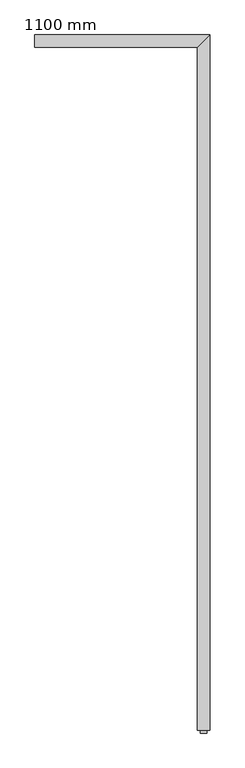
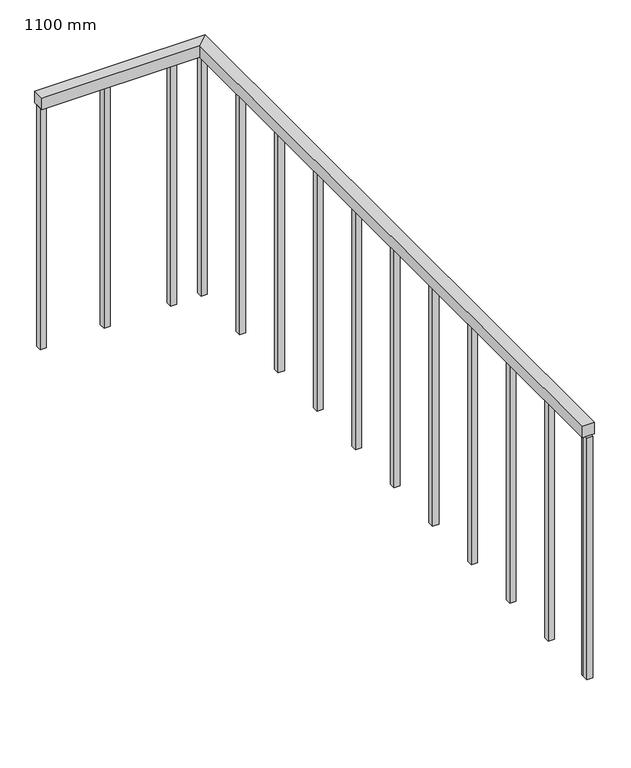
"""IFC4 building model written with IfcOpenShell, lengths in millimetres: railing geometry, 1100 mm."""

import ifcopenshell
import ifcopenshell.guid

model = None  # the IFC model being written
_history = None  # IfcOwnerHistory: only IFC2X3 demands one
_inside = {}  # id of a spatial element -> (the spatial element, [elements in it])
_under = {}  # id of a project, library or spatial element -> (it, [spatial elements below it])
_declared = {}  # id of a project -> (the project, [libraries it declares])
_typed = {}  # id of a type object -> (the type object, [elements of that type])
_made_of = {}  # id of a material, layer set ... -> (it, [elements and type objects made of it])


def new_model(schema):
    """Start an empty IFC model of exactly this schema.

    Asked for "IFC4X3", IfcOpenShell would pick the latest addendum, in which some entities
    have other attributes; the version numbers below select the first issue.
    IFC2X3 requires an IfcOwnerHistory on every rooted entity: one is made here for all.
    """
    global model, _history
    if schema == "IFC4X3":
        model = ifcopenshell.file(schema_version=(4, 3, 0, 0))
    else:
        model = ifcopenshell.file(schema=schema)
    _inside.clear()
    _under.clear()
    _declared.clear()
    _typed.clear()
    _made_of.clear()
    _history = None
    if model.schema == "IFC2X3":
        org = make("IfcOrganization", Name="unknown")
        user = make(
            "IfcPersonAndOrganization",
            ThePerson=make("IfcPerson", FamilyName="unknown"),
            TheOrganization=org,
        )
        app = make(
            "IfcApplication",
            ApplicationDeveloper=org,
            Version="unknown",
            ApplicationFullName="unknown",
            ApplicationIdentifier="unknown",
        )
        _history = make(
            "IfcOwnerHistory",
            OwningUser=user,
            OwningApplication=app,
            ChangeAction="ADDED",
            CreationDate=0,
        )
    return model


def make(cls, **values):
    """One entity of the class cls with the attributes given. An attribute that is None is left unset."""
    return model.create_entity(
        cls, **{name: value for name, value in values.items() if value is not None}
    )


def rooted(cls, **values):
    """An entity with a GlobalId (a new one), such as an element, a storey or a relation."""
    return make(cls, GlobalId=ifcopenshell.guid.new(), OwnerHistory=_history, **values)


def si_unit(unit_type, name, prefix=None):
    """IfcSIUnit, for example si_unit("LENGTHUNIT", "METRE", prefix="MILLI")."""
    return make("IfcSIUnit", UnitType=unit_type, Prefix=prefix, Name=name)


def assignment(units):
    """IfcUnitAssignment: the units of a project."""
    return None if units is None else make("IfcUnitAssignment", Units=units)


def point(xyz):
    """IfcCartesianPoint."""
    return None if xyz is None else make("IfcCartesianPoint", Coordinates=xyz)


def direction(xyz):
    """IfcDirection."""
    return None if xyz is None else make("IfcDirection", DirectionRatios=xyz)


def frame(location, z_axis=None, x_axis=None):
    """IfcAxis2Placement3D, a coordinate frame: its origin and axes. An axis left out is left unset."""
    return make(
        "IfcAxis2Placement3D",
        Location=point(location),
        Axis=direction(z_axis),
        RefDirection=direction(x_axis),
    )


def origin():
    """The frame at (0, 0, 0) with its axes left unset."""
    return frame((0.0, 0.0, 0.0))


def place(relative_to, where):
    """IfcLocalPlacement: puts the frame where relative to a parent placement (None: the world)."""
    return make(
        "IfcLocalPlacement", PlacementRelTo=relative_to, RelativePlacement=where
    )


def context(
    kind, dimensions, precision=None, world=None, true_north=None, identifier=None
):
    """IfcGeometricRepresentationContext, for example the 3D "Model" context."""
    return make(
        "IfcGeometricRepresentationContext",
        ContextIdentifier=identifier,
        ContextType=kind,
        CoordinateSpaceDimension=dimensions,
        Precision=precision,
        WorldCoordinateSystem=world,
        TrueNorth=true_north,
    )


def project(units=None, contexts=None):
    """IfcProject with its units and contexts."""
    return rooted(
        "IfcProject",
        Name="project",
        RepresentationContexts=contexts,
        UnitsInContext=assignment(units),
    )


def spatial(cls, under=None, at=None, **own):
    """A site, building, storey or space (cls), placed at a placement, below another one or the project."""
    s = rooted(cls, ObjectPlacement=at, **own)
    if under is not None:
        _under.setdefault(under.id(), (under, []))[1].append(s)
    return s


def polyline(points):
    """IfcPolyline through the points."""
    return make("IfcPolyline", Points=[point(p) for p in points])


def outline(outer, holes=None, kind="AREA"):
    """IfcArbitraryClosedProfileDef: a profile drawn as a closed curve; with holes, ...WithVoids."""
    if holes is None:
        return make("IfcArbitraryClosedProfileDef", ProfileType=kind, OuterCurve=outer)
    return make(
        "IfcArbitraryProfileDefWithVoids",
        ProfileType=kind,
        OuterCurve=outer,
        InnerCurves=holes,
    )


def extrude(swept, where, along, depth):
    """IfcExtrudedAreaSolid: the profile swept, set in the frame where, extruded along a direction by depth."""
    return make(
        "IfcExtrudedAreaSolid",
        SweptArea=swept,
        Position=where,
        ExtrudedDirection=direction(along),
        Depth=depth,
    )


def faces_of(points, faces, orient=None, outer=None):
    """IfcFace entities. A face is a list of loops; a loop is a list of indices into points, from 0.

    orient and outer hold one flag for each loop. By default every Orientation is true, the
    first loop of a face is its IfcFaceOuterBound and the others are IfcFaceBound.
    """
    made = []
    for i, loops in enumerate(faces):
        bounds = []
        for j, loop in enumerate(loops):
            is_outer = j == 0 if outer is None else outer[i][j]
            bounds.append(
                make(
                    "IfcFaceOuterBound" if is_outer else "IfcFaceBound",
                    Bound=make("IfcPolyLoop", Polygon=[points[k] for k in loop]),
                    Orientation=True if orient is None else orient[i][j],
                )
            )
        made.append(make("IfcFace", Bounds=bounds))
    return made


def faceted_brep(points, faces, orient=None, outer=None, voids=None):
    """IfcFacetedBrep: a solid bounded by flat faces; with voids (closed shells), ...WithVoids."""
    shared = [point(p) for p in points]
    hull = make("IfcClosedShell", CfsFaces=faces_of(shared, faces, orient, outer))
    if voids is None:
        return make("IfcFacetedBrep", Outer=hull)
    return make(
        "IfcFacetedBrepWithVoids",
        Outer=hull,
        Voids=[
            make(cls, CfsFaces=faces_of(shared, fs, o, b)) for cls, fs, o, b in voids
        ],
    )


def shape(context_of_items, identifier, shape_type, items):
    """IfcShapeRepresentation: the items that make up one representation, for example the "Body"."""
    return make(
        "IfcShapeRepresentation",
        ContextOfItems=context_of_items,
        RepresentationIdentifier=identifier,
        RepresentationType=shape_type,
        Items=items,
    )


def source(mapping_origin, context_of_items, identifier, shape_type, items):
    """IfcRepresentationMap: a shape defined once, which mapped items show again and again."""
    return make(
        "IfcRepresentationMap",
        MappingOrigin=mapping_origin,
        MappedRepresentation=shape(context_of_items, identifier, shape_type, items),
    )


def transform(
    local_origin,
    x_axis=None,
    y_axis=None,
    z_axis=None,
    scale=None,
    scale2=None,
    scale3=None,
    uniform=True,
):
    """IfcCartesianTransformationOperator3D, or its non-uniform kind. x_axis, y_axis, z_axis: its Axis1, 2, 3."""
    if uniform:
        return make(
            "IfcCartesianTransformationOperator3D",
            Axis1=direction(x_axis),
            Axis2=direction(y_axis),
            LocalOrigin=point(local_origin),
            Scale=scale,
            Axis3=direction(z_axis),
        )
    return make(
        "IfcCartesianTransformationOperator3DnonUniform",
        Axis1=direction(x_axis),
        Axis2=direction(y_axis),
        LocalOrigin=point(local_origin),
        Scale=scale,
        Axis3=direction(z_axis),
        Scale2=scale2,
        Scale3=scale3,
    )


def mapped(mapping_source, mapping_target):
    """IfcMappedItem: shows the shape of a source again, moved by a transform."""
    return make(
        "IfcMappedItem", MappingSource=mapping_source, MappingTarget=mapping_target
    )


def made_of(thing, what):
    """Note that an element or type object is made of a material, layer set ...; save() writes the relation."""
    if what is not None:
        _made_of.setdefault(what.id(), (what, []))[1].append(thing)
    return thing


def element(
    cls,
    number,
    at=None,
    inside=None,
    cuts=None,
    type_object=None,
    material=None,
    context=None,
    identifier="Body",
    shape_type=None,
    held_by="IfcProductDefinitionShape",
    body=None,
    shapes=None,
    **own,
):
    """One element of the class cls, such as IfcWall. Its Tag is "e" and its number.

    at: its placement. inside: the storey or other place that contains it. cuts: it is an
    opening in that element (IfcRelVoidsElement). A single representation is given by context,
    identifier, shape_type and body (its items); several are given by shapes. held_by: the class
    of the entity that holds the representations. save() writes the other relations.
    """
    e = rooted(cls, Tag="e%d" % number, ObjectPlacement=at, **own)
    if body is not None:
        shapes = [shape(context, identifier, shape_type, body)]
    if shapes is not None:
        e.Representation = make(held_by, Representations=shapes)
    if inside is not None:
        _inside.setdefault(inside.id(), (inside, []))[1].append(e)
    if cuts is not None:
        rooted(
            "IfcRelVoidsElement", RelatingBuildingElement=cuts, RelatedOpeningElement=e
        )
    if type_object is not None:
        _typed.setdefault(type_object.id(), (type_object, []))[1].append(e)
    return made_of(e, material)


def aggregate(whole, parts):
    """IfcRelAggregates: a whole, such as a stair, and the parts it consists of."""
    return rooted("IfcRelAggregates", RelatingObject=whole, RelatedObjects=parts)


def save(model, path):
    """Write the relations noted so far, then the file.

    IfcRelAggregates (storeys below a building ...), IfcRelContainedInSpatialStructure (elements
    in a storey), IfcRelDefinesByType, IfcRelAssociatesMaterial and IfcRelDeclares: one each for
    every whole, place, type object, material and project.
    """
    for whole, parts in _under.values():
        aggregate(whole, parts)
    for where, things in _inside.values():
        rooted(
            "IfcRelContainedInSpatialStructure",
            RelatedElements=things,
            RelatingStructure=where,
        )
    for kind, things in _typed.values():
        rooted("IfcRelDefinesByType", RelatedObjects=things, RelatingType=kind)
    for what, things in _made_of.values():
        rooted("IfcRelAssociatesMaterial", RelatedObjects=things, RelatingMaterial=what)
    for by, libraries in _declared.values():
        rooted("IfcRelDeclares", RelatingContext=by, RelatedDefinitions=libraries)
    model.write(path)


def railing_1100_mm_f128cea2(model_context):
    return source(origin(), model_context, "Body", "SolidModel", [
        faceted_brep([(-9595.4724667, 2352.4523768, 5300.0), (-9595.4724667, 2402.4523768, 5300.0), (-9595.4724667, 2402.4523768, 5250.0), (-9595.4724667, 2352.4523768, 5250.0), (-8945.4724667, 2352.4523768, 5300.0), (-8895.4724667, 2402.4523768, 5300.0), (-8895.4724667, 2402.4523768, 5250.0), (-8945.4724667, 2352.4523768, 5250.0), (-8945.4724667, -373.5476232, 5300.0), (-8945.4724667, -373.5476232, 5250.0), (-8895.4724667, -373.5476232, 5250.0), (-8895.4724667, -373.5476232, 5300.0)], [[[0, 1, 2, 3]], [[1, 0, 4, 5]], [[2, 1, 5, 6]], [[3, 2, 6, 7]], [[0, 3, 7, 4]], [[8, 9, 10, 11]], [[5, 4, 8, 11]], [[6, 5, 11, 10]], [[7, 6, 10, 9]], [[4, 7, 9, 8]]]),
        extrude(outline(polyline([(-8932.9724667, -360.0476232), (-8907.9724667, -360.0476232), (-8907.9724667, -385.0476232), (-8932.9724667, -385.0476232), (-8932.9724667, -360.0476232)])), frame((0.0, 0.0, 4200.0), z_axis=(0.0, 0.0, 1.0), x_axis=(1.0, 0.0, 0.0)), (0.0, 0.0, 1.0), 1050.0),
        extrude(outline(polyline([(-8932.9724667, -85.0476232), (-8907.9724667, -85.0476232), (-8907.9724667, -110.0476232), (-8932.9724667, -110.0476232), (-8932.9724667, -85.0476232)])), frame((0.0, 0.0, 4200.0), z_axis=(0.0, 0.0, 1.0), x_axis=(1.0, 0.0, 0.0)), (0.0, 0.0, 1.0), 1050.0),
        extrude(outline(polyline([(-8932.9724667, 189.9523768), (-8907.9724667, 189.9523768), (-8907.9724667, 164.9523768), (-8932.9724667, 164.9523768), (-8932.9724667, 189.9523768)])), frame((0.0, 0.0, 4200.0), z_axis=(0.0, 0.0, 1.0), x_axis=(1.0, 0.0, 0.0)), (0.0, 0.0, 1.0), 1050.0),
        extrude(outline(polyline([(-8932.9724667, 464.9523768), (-8907.9724667, 464.9523768), (-8907.9724667, 439.9523768), (-8932.9724667, 439.9523768), (-8932.9724667, 464.9523768)])), frame((0.0, 0.0, 4200.0), z_axis=(0.0, 0.0, 1.0), x_axis=(1.0, 0.0, 0.0)), (0.0, 0.0, 1.0), 1050.0),
        extrude(outline(polyline([(-8932.9724667, 739.9523768), (-8907.9724667, 739.9523768), (-8907.9724667, 714.9523768), (-8932.9724667, 714.9523768), (-8932.9724667, 739.9523768)])), frame((0.0, 0.0, 4200.0), z_axis=(0.0, 0.0, 1.0), x_axis=(1.0, 0.0, 0.0)), (0.0, 0.0, 1.0), 1050.0),
        extrude(outline(polyline([(-8932.9724667, 1014.9523768), (-8907.9724667, 1014.9523768), (-8907.9724667, 989.9523768), (-8932.9724667, 989.9523768), (-8932.9724667, 1014.9523768)])), frame((0.0, 0.0, 4200.0), z_axis=(0.0, 0.0, 1.0), x_axis=(1.0, 0.0, 0.0)), (0.0, 0.0, 1.0), 1050.0),
        extrude(outline(polyline([(-8932.9724667, 1289.9523768), (-8907.9724667, 1289.9523768), (-8907.9724667, 1264.9523768), (-8932.9724667, 1264.9523768), (-8932.9724667, 1289.9523768)])), frame((0.0, 0.0, 4200.0), z_axis=(0.0, 0.0, 1.0), x_axis=(1.0, 0.0, 0.0)), (0.0, 0.0, 1.0), 1050.0),
        extrude(outline(polyline([(-8932.9724667, 1564.9523768), (-8907.9724667, 1564.9523768), (-8907.9724667, 1539.9523768), (-8932.9724667, 1539.9523768), (-8932.9724667, 1564.9523768)])), frame((0.0, 0.0, 4200.0), z_axis=(0.0, 0.0, 1.0), x_axis=(1.0, 0.0, 0.0)), (0.0, 0.0, 1.0), 1050.0),
        extrude(outline(polyline([(-8932.9724667, 1839.9523768), (-8907.9724667, 1839.9523768), (-8907.9724667, 1814.9523768), (-8932.9724667, 1814.9523768), (-8932.9724667, 1839.9523768)])), frame((0.0, 0.0, 4200.0), z_axis=(0.0, 0.0, 1.0), x_axis=(1.0, 0.0, 0.0)), (0.0, 0.0, 1.0), 1050.0),
        extrude(outline(polyline([(-8932.9724667, 2114.9523768), (-8907.9724667, 2114.9523768), (-8907.9724667, 2089.9523768), (-8932.9724667, 2089.9523768), (-8932.9724667, 2114.9523768)])), frame((0.0, 0.0, 4200.0), z_axis=(0.0, 0.0, 1.0), x_axis=(1.0, 0.0, 0.0)), (0.0, 0.0, 1.0), 1050.0),
        extrude(outline(polyline([(-9057.9724667, 2364.9523768), (-9057.9724667, 2389.9523768), (-9032.9724667, 2389.9523768), (-9032.9724667, 2364.9523768), (-9057.9724667, 2364.9523768)])), frame((0.0, 0.0, 4200.0), z_axis=(0.0, 0.0, 1.0), x_axis=(1.0, 0.0, 0.0)), (0.0, 0.0, 1.0), 1050.0),
        extrude(outline(polyline([(-9332.9724667, 2364.9523768), (-9332.9724667, 2389.9523768), (-9307.9724667, 2389.9523768), (-9307.9724667, 2364.9523768), (-9332.9724667, 2364.9523768)])), frame((0.0, 0.0, 4200.0), z_axis=(0.0, 0.0, 1.0), x_axis=(1.0, 0.0, 0.0)), (0.0, 0.0, 1.0), 1050.0),
        extrude(outline(polyline([(-8932.9724667, 2364.9523768), (-8932.9724667, 2389.9523768), (-8907.9724667, 2389.9523768), (-8907.9724667, 2364.9523768), (-8932.9724667, 2364.9523768)])), frame((0.0, 0.0, 4200.0), z_axis=(0.0, 0.0, 1.0), x_axis=(1.0, 0.0, 0.0)), (0.0, 0.0, 1.0), 1050.0),
        extrude(outline(polyline([(-8932.9724667, -348.5476232), (-8907.9724667, -348.5476232), (-8907.9724667, -373.5476232), (-8932.9724667, -373.5476232), (-8932.9724667, -348.5476232)])), frame((0.0, 0.0, 4200.0), z_axis=(0.0, 0.0, 1.0), x_axis=(1.0, 0.0, 0.0)), (0.0, 0.0, 1.0), 1050.0),
        extrude(outline(polyline([(-9595.4724667, 2364.9523768), (-9595.4724667, 2389.9523768), (-9570.4724667, 2389.9523768), (-9570.4724667, 2364.9523768), (-9595.4724667, 2364.9523768)])), frame((0.0, 0.0, 4200.0), z_axis=(0.0, 0.0, 1.0), x_axis=(1.0, 0.0, 0.0)), (0.0, 0.0, 1.0), 1050.0),
    ])


if __name__ == "__main__":
    model = new_model("IFC4")
    model_context = context("Model", 3, world=origin())
    ifc_project = project(units=[si_unit("LENGTHUNIT", "METRE", prefix="MILLI")], contexts=[model_context])
    site = spatial("IfcSite", under=ifc_project)
    building = spatial("IfcBuilding", under=site)
    placement = place(None, origin())
    railing_1100_mm_shape = railing_1100_mm_f128cea2(model_context)
    element("IfcRailing", 1, ObjectType="1100 mm", at=placement, inside=building, context=model_context, shape_type="MappedRepresentation", body=[
        mapped(railing_1100_mm_shape, transform((0.0, 0.0, 0.0), x_axis=(1.0, 0.0, 0.0), y_axis=(0.0, 1.0, 0.0), z_axis=(0.0, 0.0, 1.0))),
    ])
    save(model, "model.ifc")
